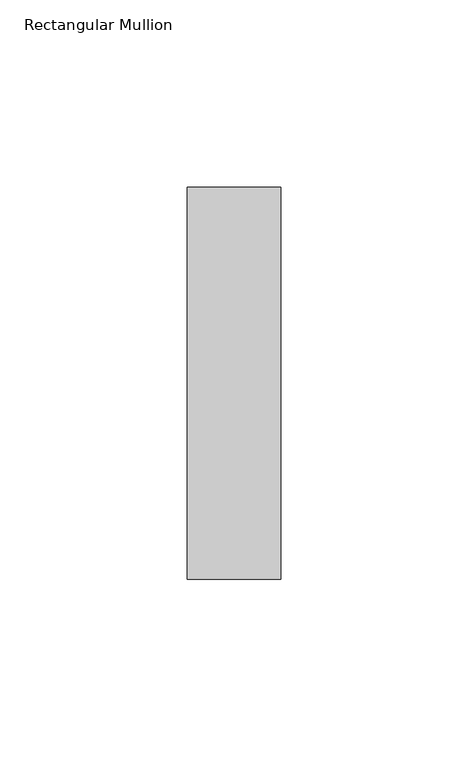
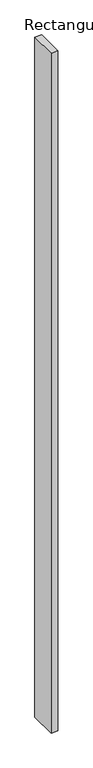
"""IFC4 building model written with IfcOpenShell, lengths in millimetres: member geometry, Rectangular Mullion."""

from ifc_helpers import new_model, si_unit, frame, origin, place, context, project, spatial, polyline, outline, extrude, source, transform, mapped, element, save


def rectangular_mullion_f87bfad0(model_context):
    return source(origin(), model_context, "Body", "SweptSolid", [
        extrude(outline(polyline([(-25.0, -52.34375), (-25.0, 52.34375), (0.0, 52.34375), (0.0, -52.34375), (-25.0, -52.34375)])), frame((0.0, 0.0, -2700.0), z_axis=(0.0, 0.0, 1.0), x_axis=(1.0, 0.0, 0.0)), (0.0, 0.0, 1.0), 2700.0),
    ])


if __name__ == "__main__":
    model = new_model("IFC4")
    model_context = context("Model", 3, world=origin())
    ifc_project = project(units=[si_unit("LENGTHUNIT", "METRE", prefix="MILLI")], contexts=[model_context])
    site = spatial("IfcSite", under=ifc_project)
    building = spatial("IfcBuilding", under=site)
    placement = place(None, origin())
    rectangular_mullion_shape = rectangular_mullion_f87bfad0(model_context)
    element("IfcMember", 1, ObjectType="Rectangular Mullion", at=placement, inside=building, context=model_context, shape_type="MappedRepresentation", body=[
        mapped(rectangular_mullion_shape, transform((0.0, 0.0, 0.0), x_axis=(1.0, 0.0, 0.0), y_axis=(0.0, 1.0, 0.0), z_axis=(0.0, 0.0, 1.0))),
    ])
    save(model, "model.ifc")
